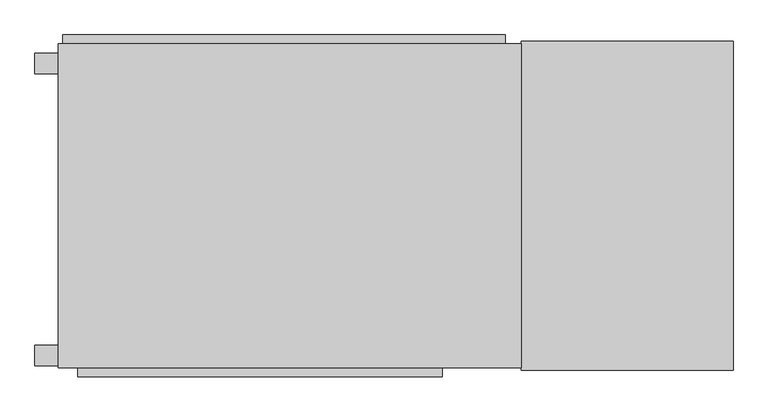
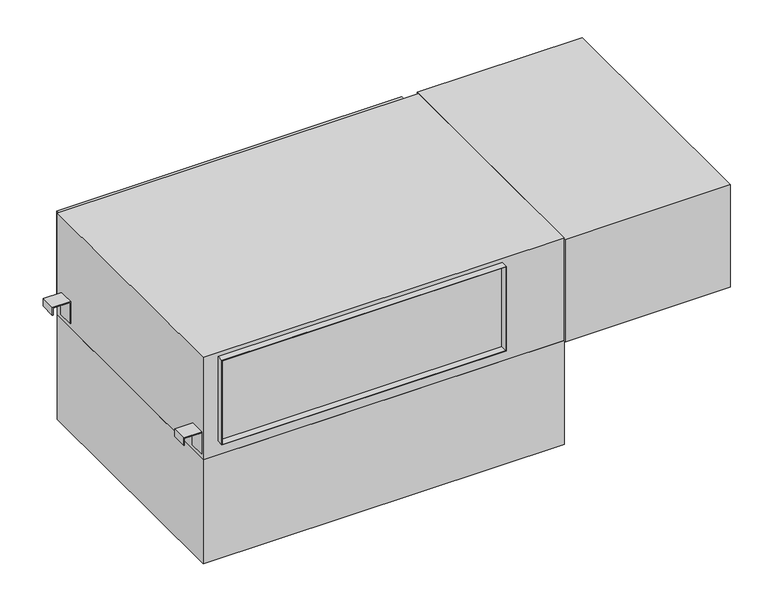
"""IFC4 building model written with IfcOpenShell, lengths in millimetres: proxy geometry."""

from ifc_helpers import new_model, si_unit, point, frame, frame_2d, origin, origin_with_axes, place, context, project, spatial, polyline, circle_curve, trimmed, segment, composite_curve, outline, extrude, faceted_brep, source, transform, mapped, element, save


def mechanical_equipment_97723a61(model_context):
    return source(origin(), model_context, "Body", "SolidModel", [
        extrude(outline(polyline([(15.875, 501.65), (77.7875, 501.65), (77.7875, 549.275), (57.15, 549.275), (57.15, 550.8625), (79.375, 550.8625), (79.375, 500.0625), (15.875, 500.0625), (15.875, 501.65)])), frame((0.0, 284.95625, 0.0), z_axis=(0.0, 1.0, 0.0), x_axis=(0.0, 0.0, 1.0)), (0.0, 0.0, 1.0), 44.45),
        extrude(outline(polyline([(15.875, -500.0625), (79.375, -500.0625), (79.375, -550.8625), (57.15, -550.8625), (57.15, -549.275), (77.7875, -549.275), (77.7875, -501.65), (15.875, -501.65), (15.875, -500.0625)])), frame((0.0, 284.95625, 0.0), z_axis=(0.0, 1.0, 0.0), x_axis=(0.0, 0.0, 1.0)), (0.0, 0.0, 1.0), 44.45),
        extrude(outline(polyline([(57.15, 550.8625), (79.375, 550.8625), (79.375, 500.0625), (15.875, 500.0625), (15.875, 501.65), (77.7875, 501.65), (77.7875, 549.275), (57.15, 549.275), (57.15, 550.8625)])), frame((0.0, -345.28125, 0.0), z_axis=(0.0, 1.0, 0.0), x_axis=(0.0, 0.0, 1.0)), (0.0, 0.0, 1.0), 44.45),
        extrude(outline(polyline([(15.875, -500.0625), (79.375, -500.0625), (79.375, -550.8625), (57.15, -550.8625), (57.15, -549.275), (77.7875, -549.275), (77.7875, -501.65), (15.875, -501.65), (15.875, -500.0625)])), frame((0.0, -345.28125, 0.0), z_axis=(0.0, 1.0, 0.0), x_axis=(0.0, 0.0, 1.0)), (0.0, 0.0, 1.0), 44.45),
        extrude(outline(polyline([(-500.0625, 350.04375), (500.0625, 350.04375), (500.0625, -350.04375), (-500.0625, -350.04375), (-500.0625, 350.04375)])), frame((0.0, 0.0, -304.8), z_axis=(0.0, 0.0, 1.0), x_axis=(1.0, 0.0, 0.0)), (0.0, 0.0, 1.0), 304.8),
        faceted_brep([(500.0625, 350.04375, 0.0), (500.0625, -350.04375, 0.0), (-500.0625, -350.04375, 0.0), (-500.0625, 350.04375, 0.0), (500.0625, 350.04375, 300.0375), (-500.0625, 350.04375, 300.0375), (-500.0625, -350.04375, 300.0375), (500.0625, -350.04375, 300.0375), (328.6125, -350.04375, 288.925), (328.6125, -350.04375, 41.275), (-458.7875, -350.04375, 41.275), (-458.7875, -350.04375, 288.925), (327.025, -350.04375, 42.8625), (327.025, -350.04375, 287.3375), (-457.2, -350.04375, 287.3375), (-457.2, -350.04375, 42.8625), (465.201, 350.04375, 7.874), (465.201, 350.04375, 290.576), (-490.601, 350.04375, 290.576), (-490.601, 350.04375, 7.874), (461.9625, 350.04375, 287.3375), (461.9625, 350.04375, 11.1125), (-487.3625, 350.04375, 11.1125), (-487.3625, 350.04375, 287.3375), (328.6125, -369.09375, 288.925), (328.6125, -369.09375, 41.275), (327.025, -369.09375, 287.3375), (327.025, -369.09375, 42.8625), (-458.7875, -369.09375, 41.275), (-457.2, -369.09375, 42.8625), (-458.7875, -369.09375, 288.925), (-457.2, -369.09375, 287.3375), (461.9625, 369.09375, 287.3375), (461.9625, 369.09375, 11.1125), (465.201, 369.09375, 290.576), (465.201, 369.09375, 7.874), (-487.3625, 369.09375, 11.1125), (-490.601, 369.09375, 7.874), (-487.3625, 369.09375, 287.3375), (-490.601, 369.09375, 290.576)], [[[0, 1, 2, 3]], [[4, 5, 6, 7]], [[1, 0, 4, 7]], [[2, 1, 7, 6], [8, 9, 10, 11]], [[12, 13, 14, 15]], [[3, 2, 6, 5]], [[0, 3, 5, 4], [16, 17, 18, 19]], [[20, 21, 22, 23]], [[8, 24, 25, 9]], [[26, 13, 12, 27]], [[9, 25, 28, 10]], [[27, 12, 15, 29]], [[10, 28, 30, 11]], [[29, 15, 14, 31]], [[24, 8, 11, 30]], [[13, 26, 31, 14]], [[25, 24, 30, 28], [26, 27, 29, 31]], [[20, 32, 33, 21]], [[34, 17, 16, 35]], [[21, 33, 36, 22]], [[35, 16, 19, 37]], [[22, 36, 38, 23]], [[37, 19, 18, 39]], [[34, 35, 37, 39], [33, 32, 38, 36]], [[32, 20, 23, 38]], [[17, 34, 39, 18]]]),
        extrude(outline(polyline([(957.2625, 355.6), (957.2625, -355.6), (500.0625, -355.6), (500.0625, 355.6), (957.2625, 355.6)])), origin_with_axes(), (0.0, 0.0, 1.0), 300.0375),
        extrude(outline(composite_curve([segment(trimmed(circle_curve(frame_2d((-30.95625, 144.4625)), 7.9375), [point((-38.89375, 144.4625))], [point((-23.01875, 144.4625))], False, "CARTESIAN"), True, "CONTINUOUS"), segment(trimmed(circle_curve(frame_2d((-30.95625, 144.4625)), 7.9375), [point((-23.01875, 144.4625))], [point((-38.89375, 144.4625))], False, "CARTESIAN"), True, "CONTINUOUS")], self_intersect=False)), frame((500.0625, 0.0, 0.0), z_axis=(1.0, 0.0, 0.0), x_axis=(0.0, 1.0, 0.0)), (0.0, 0.0, 1.0), 65.0875),
        extrude(outline(composite_curve([segment(trimmed(circle_curve(frame_2d((-59.53125, 212.725)), 4.7625), [point((-64.29375, 212.725))], [point((-54.76875, 212.725))], False, "CARTESIAN"), True, "CONTINUOUS"), segment(trimmed(circle_curve(frame_2d((-59.53125, 212.725)), 4.7625), [point((-54.76875, 212.725))], [point((-64.29375, 212.725))], False, "CARTESIAN"), True, "CONTINUOUS")], self_intersect=False)), frame((500.0625, 0.0, 0.0), z_axis=(1.0, 0.0, 0.0), x_axis=(0.0, 1.0, 0.0)), (0.0, 0.0, 1.0), 65.0875),
        extrude(outline(composite_curve([segment(trimmed(circle_curve(frame_2d((-183.35625, 231.775)), 15.875), [point((-199.23125, 231.775))], [point((-167.48125, 231.775))], False, "CARTESIAN"), True, "CONTINUOUS"), segment(trimmed(circle_curve(frame_2d((-183.35625, 231.775)), 15.875), [point((-167.48125, 231.775))], [point((-199.23125, 231.775))], False, "CARTESIAN"), True, "CONTINUOUS")], self_intersect=False)), frame((500.0625, 0.0, 0.0), z_axis=(1.0, 0.0, 0.0), x_axis=(0.0, 1.0, 0.0)), (0.0, 0.0, 1.0), 58.7375),
    ])


if __name__ == "__main__":
    model = new_model("IFC4")
    model_context = context("Model", 3, world=origin())
    ifc_project = project(units=[si_unit("LENGTHUNIT", "METRE", prefix="MILLI")], contexts=[model_context])
    site = spatial("IfcSite", under=ifc_project)
    building = spatial("IfcBuilding", under=site)
    placement = place(None, origin())
    mechanical_equipment_shape = mechanical_equipment_97723a61(model_context)
    element("IfcBuildingElementProxy", 1, Name="Mechanical Equipment", at=placement, inside=building, context=model_context, shape_type="MappedRepresentation", body=[
        mapped(mechanical_equipment_shape, transform((0.0, 0.0, 0.0), x_axis=(1.0, 0.0, 0.0), y_axis=(0.0, 1.0, 0.0), z_axis=(0.0, 0.0, 1.0))),
    ])
    save(model, "model.ifc")
